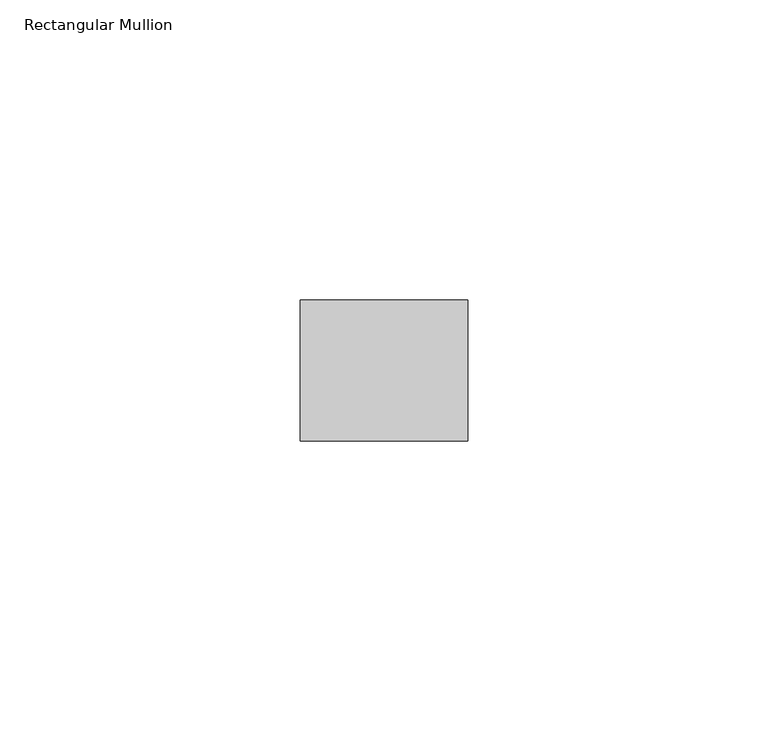
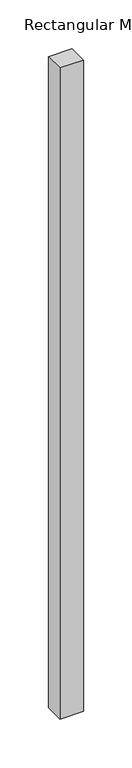
"""IFC4 building model written with IfcOpenShell, lengths in millimetres: member geometry, Rectangular Mullion."""

from ifc_helpers import new_model, si_unit, frame, origin, place, context, project, spatial, polyline, outline, extrude, source, transform, mapped, element, save


def rectangular_mullion_2085010b(model_context):
    return source(origin(), model_context, "Body", "SweptSolid", [
        extrude(outline(polyline([(0.0, -11.7474999), (-27.94, -11.7474999), (-27.94, 11.7474999), (0.0, 11.7474999), (0.0, -11.7474999)])), frame((0.0, 0.0, -815.9554028), z_axis=(0.0, 0.0, 1.0), x_axis=(1.0, 0.0, 0.0)), (0.0, 0.0, 1.0), 815.9554028),
    ])


if __name__ == "__main__":
    model = new_model("IFC4")
    model_context = context("Model", 3, world=origin())
    ifc_project = project(units=[si_unit("LENGTHUNIT", "METRE", prefix="MILLI")], contexts=[model_context])
    site = spatial("IfcSite", under=ifc_project)
    building = spatial("IfcBuilding", under=site)
    placement = place(None, origin())
    rectangular_mullion_shape = rectangular_mullion_2085010b(model_context)
    element("IfcMember", 1, ObjectType="Rectangular Mullion", at=placement, inside=building, context=model_context, shape_type="MappedRepresentation", body=[
        mapped(rectangular_mullion_shape, transform((0.0, 0.0, 0.0), x_axis=(1.0, 0.0, 0.0), y_axis=(0.0, 1.0, 0.0), z_axis=(0.0, 0.0, 1.0))),
    ])
    save(model, "model.ifc")
